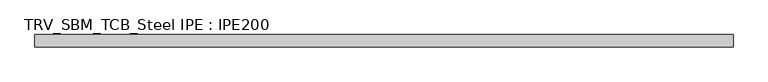
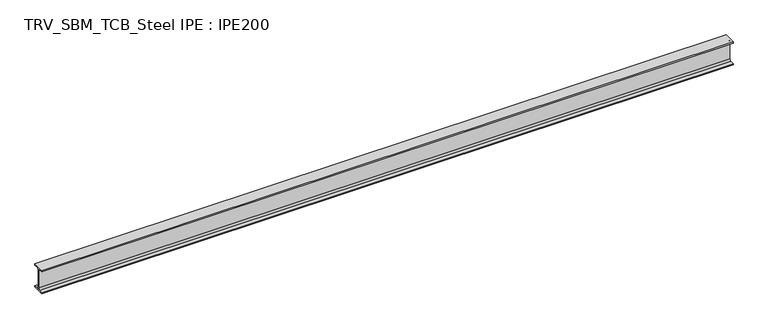
"""IFC4 building model written with IfcOpenShell, lengths in millimetres: beam geometry, TRV_SBM_TCB_Steel IPE : IPE200."""

from ifc_helpers import new_model, si_unit, point, frame, frame_2d, origin, place, context, project, spatial, polyline, circle_curve, trimmed, segment, composite_curve, outline, extrude, source, transform, mapped, element, save


def trv_sbm_tcb_steel_ipe_ipe200_7dd0df66(model_context):
    return source(origin(), model_context, "Body", "SweptSolid", [
        extrude(outline(composite_curve([segment(polyline([(50.0, -89.3), (50.0, -100.0), (-50.0, -100.0), (-50.0, -89.3), (-18.55, -89.3)]), True, "CONTINUOUS"), segment(trimmed(circle_curve(frame_2d((-18.55, -74.3)), 15.0), [point((-18.55, -89.3))], [point((-3.55, -74.3))], True, "CARTESIAN"), True, "CONTINUOUS"), segment(polyline([(-3.55, -74.3), (-3.55, 74.3)]), True, "CONTINUOUS"), segment(trimmed(circle_curve(frame_2d((-18.55, 74.3)), 15.0), [point((-3.55, 74.3))], [point((-18.55, 89.3))], True, "CARTESIAN"), True, "CONTINUOUS"), segment(polyline([(-18.55, 89.3), (-50.0, 89.3), (-50.0, 100.0), (50.0, 100.0), (50.0, 89.3), (18.55, 89.3)]), True, "CONTINUOUS"), segment(trimmed(circle_curve(frame_2d((18.55, 74.3)), 15.0), [point((18.55, 89.3))], [point((3.55, 74.3))], True, "CARTESIAN"), True, "CONTINUOUS"), segment(polyline([(3.55, 74.3), (3.55, -74.3)]), True, "CONTINUOUS"), segment(trimmed(circle_curve(frame_2d((18.55, -74.3)), 15.0), [point((3.55, -74.3))], [point((18.55, -89.3))], True, "CARTESIAN"), True, "CONTINUOUS"), segment(polyline([(18.55, -89.3), (50.0, -89.3)]), True, "CONTINUOUS")], self_intersect=False)), frame((-2835.5, 0.0, 0.0), z_axis=(1.0, 0.0, 0.0), x_axis=(0.0, 1.0, 0.0)), (0.0, 0.0, 1.0), 5691.0),
    ])


if __name__ == "__main__":
    model = new_model("IFC4")
    model_context = context("Model", 3, world=origin())
    ifc_project = project(units=[si_unit("LENGTHUNIT", "METRE", prefix="MILLI")], contexts=[model_context])
    site = spatial("IfcSite", under=ifc_project)
    building = spatial("IfcBuilding", under=site)
    placement = place(None, origin())
    trv_sbm_tcb_steel_ipe_ipe200_shape = trv_sbm_tcb_steel_ipe_ipe200_7dd0df66(model_context)
    element("IfcBeam", 1, ObjectType="TRV_SBM_TCB_Steel IPE : IPE200", at=placement, inside=building, context=model_context, shape_type="MappedRepresentation", body=[
        mapped(trv_sbm_tcb_steel_ipe_ipe200_shape, transform((0.0, 0.0, 0.0), x_axis=(1.0, 0.0, 0.0), y_axis=(0.0, 1.0, 0.0), z_axis=(0.0, 0.0, 1.0))),
    ])
    save(model, "model.ifc")
